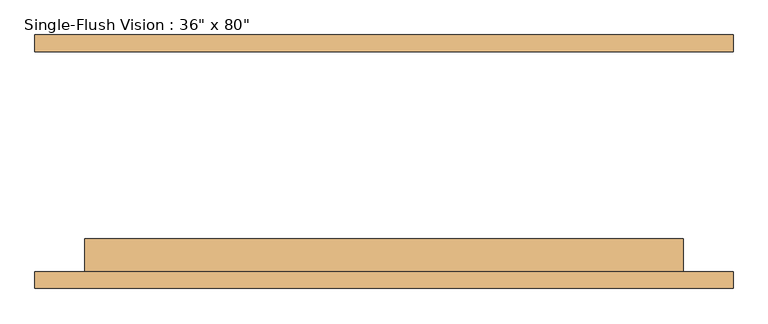
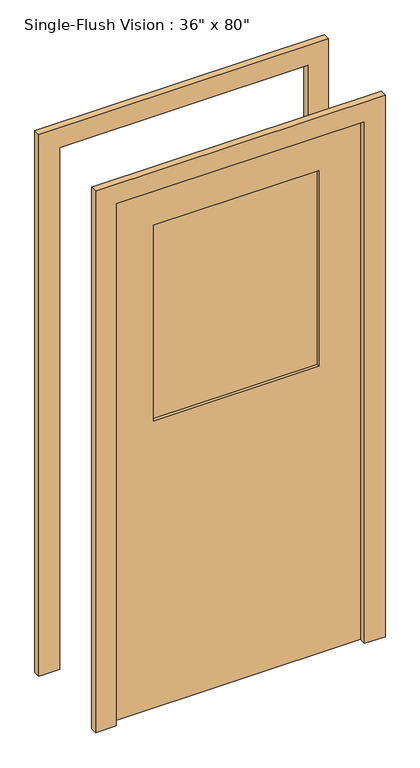
"""IFC4 building model written with IfcOpenShell, lengths in millimetres: door geometry."""

from ifc_helpers import new_model, si_unit, frame, origin, place, context, project, spatial, polyline, outline, extrude, source, transform, mapped, element, save


def door_7145cbf6(model_context):
    return source(origin(), model_context, "Body", "SweptSolid", [
        extrude(outline(polyline([(2108.2, -533.4), (0.0, -533.4), (0.0, -457.2), (2032.0, -457.2), (2032.0, 457.2), (0.0, 457.2), (0.0, 533.4), (2108.2, 533.4), (2108.2, -533.4)])), frame((0.0, -193.675, 0.0), z_axis=(0.0, 1.0, 0.0), x_axis=(0.0, 0.0, 1.0)), (0.0, 0.0, 1.0), 25.4),
        extrude(outline(polyline([(2032.0, 457.2), (0.0, 457.2), (0.0, 533.4), (2108.2, 533.4), (2108.2, -533.4), (0.0, -533.4), (0.0, -457.2), (2032.0, -457.2), (2032.0, 457.2)])), frame((0.0, 168.275, 0.0), z_axis=(0.0, 1.0, 0.0), x_axis=(0.0, 0.0, 1.0)), (0.0, 0.0, 1.0), 25.4),
        extrude(outline(polyline([(304.8, -130.175), (304.8, -136.525), (-304.8, -136.525), (-304.8, -130.175), (304.8, -130.175)])), frame((0.0, 0.0, 1117.6), z_axis=(0.0, 0.0, 1.0), x_axis=(1.0, 0.0, 0.0)), (0.0, 0.0, 1.0), 762.0),
        extrude(outline(polyline([(304.8, -149.225), (304.8, -155.575), (-304.8, -155.575), (-304.8, -149.225), (304.8, -149.225)])), frame((0.0, 0.0, 1117.6), z_axis=(0.0, 0.0, 1.0), x_axis=(1.0, 0.0, 0.0)), (0.0, 0.0, 1.0), 762.0),
        extrude(outline(polyline([(2032.0, -457.2), (0.0, -457.2), (0.0, 457.2), (2032.0, 457.2), (2032.0, -457.2)]), holes=[polyline([(1879.6, -304.8), (1879.6, 304.8), (1117.6, 304.8), (1117.6, -304.8), (1879.6, -304.8)])]), frame((0.0, -168.275, 0.0), z_axis=(0.0, 1.0, 0.0), x_axis=(0.0, 0.0, 1.0)), (0.0, 0.0, 1.0), 50.8),
    ])


if __name__ == "__main__":
    model = new_model("IFC4")
    model_context = context("Model", 3, world=origin())
    ifc_project = project(units=[si_unit("LENGTHUNIT", "METRE", prefix="MILLI")], contexts=[model_context])
    site = spatial("IfcSite", under=ifc_project)
    building = spatial("IfcBuilding", under=site)
    placement = place(None, origin())
    door_shape = door_7145cbf6(model_context)
    element("IfcDoor", 1, ObjectType="Single-Flush Vision : 36\" x 80\"", at=placement, inside=building, context=model_context, shape_type="MappedRepresentation", body=[
        mapped(door_shape, transform((0.0, 0.0, 0.0), x_axis=(1.0, 0.0, 0.0), y_axis=(0.0, 1.0, 0.0), z_axis=(0.0, 0.0, 1.0))),
    ])
    save(model, "model.ifc")
